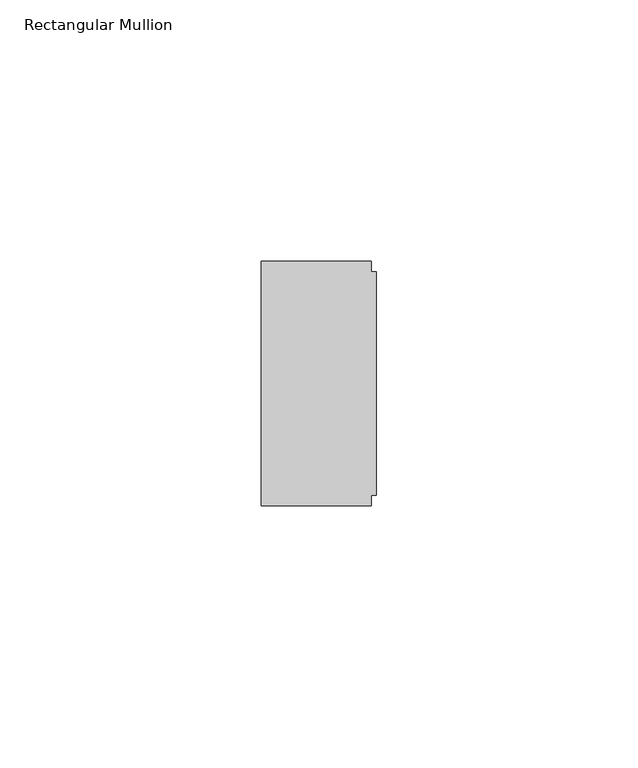
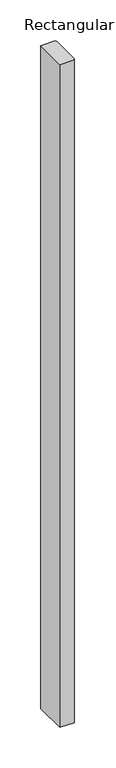
"""IFC4 building model written with IfcOpenShell, lengths in millimetres: member geometry, Rectangular Mullion."""

from ifc_helpers import new_model, si_unit, frame, origin, place, context, project, spatial, polyline, outline, extrude, source, transform, mapped, element, save


def rectangular_mullion_fd695968(model_context):
    return source(origin(), model_context, "Body", "SweptSolid", [
        extrude(outline(polyline([(-1.0, 23.4), (-1.0, 21.4), (0.0, 21.4), (0.0, -21.4), (-1.0, -21.4), (-1.0, -23.4), (-22.0, -23.4), (-22.0, 23.4), (-1.0, 23.4)])), frame((0.0, 0.0, -997.0), z_axis=(0.0, 0.0, 1.0), x_axis=(1.0, 0.0, 0.0)), (0.0, 0.0, 1.0), 997.0),
    ])


if __name__ == "__main__":
    model = new_model("IFC4")
    model_context = context("Model", 3, world=origin())
    ifc_project = project(units=[si_unit("LENGTHUNIT", "METRE", prefix="MILLI")], contexts=[model_context])
    site = spatial("IfcSite", under=ifc_project)
    building = spatial("IfcBuilding", under=site)
    placement = place(None, origin())
    rectangular_mullion_shape = rectangular_mullion_fd695968(model_context)
    element("IfcMember", 1, ObjectType="Rectangular Mullion", at=placement, inside=building, context=model_context, shape_type="MappedRepresentation", body=[
        mapped(rectangular_mullion_shape, transform((0.0, 0.0, 0.0), x_axis=(1.0, 0.0, 0.0), y_axis=(0.0, 1.0, 0.0), z_axis=(0.0, 0.0, 1.0))),
    ])
    save(model, "model.ifc")
